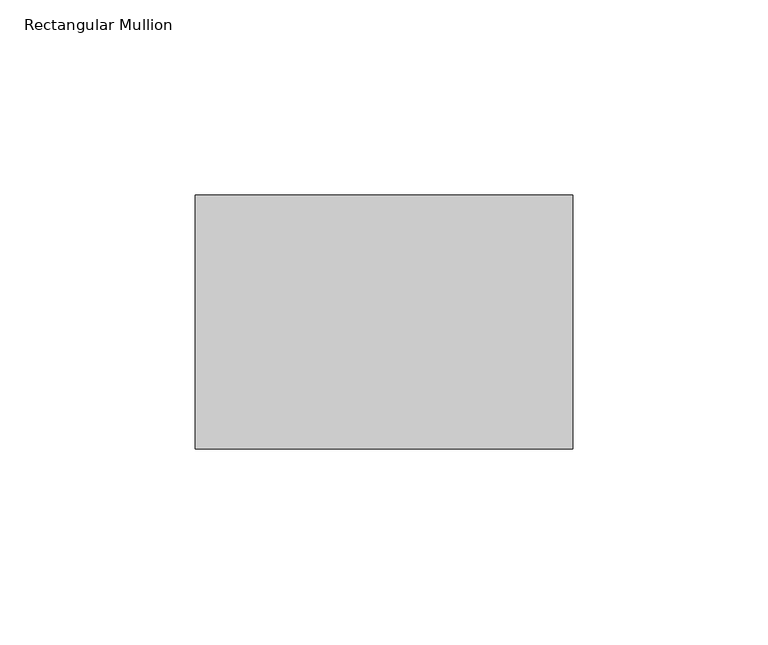
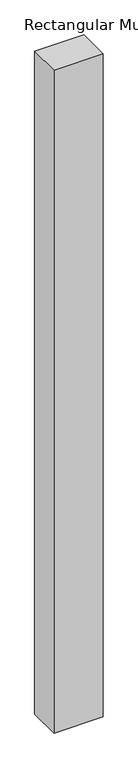
"""IFC4 building model written with IfcOpenShell, lengths in millimetres: member geometry, Rectangular Mullion."""

from ifc_helpers import new_model, si_unit, frame, origin, place, context, project, spatial, polyline, outline, extrude, source, transform, mapped, element, save


def rectangular_mullion_0ae84e28(model_context):
    return source(origin(), model_context, "Body", "SweptSolid", [
        extrude(outline(polyline([(48.41875, -42.8625), (-48.41875, -42.8625), (-48.41875, 22.225), (48.41875, 22.225), (48.41875, -42.8625)])), frame((0.0, 0.0, -1378.74375), z_axis=(0.0, 0.0, 1.0), x_axis=(1.0, 0.0, 0.0)), (0.0, 0.0, 1.0), 1378.74375),
    ])


if __name__ == "__main__":
    model = new_model("IFC4")
    model_context = context("Model", 3, world=origin())
    ifc_project = project(units=[si_unit("LENGTHUNIT", "METRE", prefix="MILLI")], contexts=[model_context])
    site = spatial("IfcSite", under=ifc_project)
    building = spatial("IfcBuilding", under=site)
    placement = place(None, origin())
    rectangular_mullion_shape = rectangular_mullion_0ae84e28(model_context)
    element("IfcMember", 1, ObjectType="Rectangular Mullion", at=placement, inside=building, context=model_context, shape_type="MappedRepresentation", body=[
        mapped(rectangular_mullion_shape, transform((0.0, 0.0, 0.0), x_axis=(1.0, 0.0, 0.0), y_axis=(0.0, 1.0, 0.0), z_axis=(0.0, 0.0, 1.0))),
    ])
    save(model, "model.ifc")
